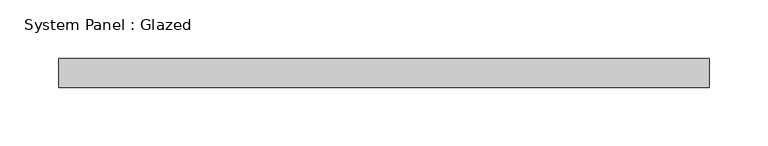
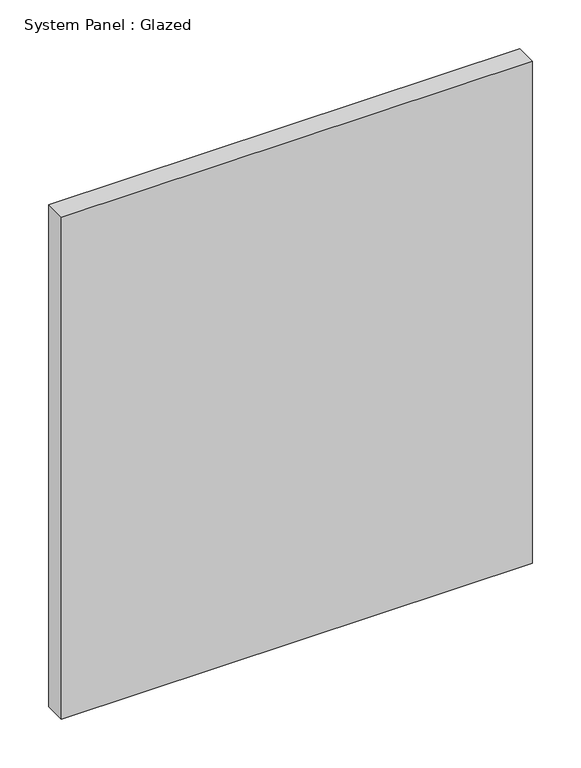
"""IFC4 building model written with IfcOpenShell, lengths in millimetres: plate geometry, System Panel : Glazed."""

from ifc_helpers import new_model, si_unit, origin, origin_with_axes, place, context, project, spatial, polyline, outline, extrude, source, transform, mapped, element, save


def system_panel_glazed_2ddf3c24(model_context):
    return source(origin(), model_context, "Body", "SweptSolid", [
        extrude(outline(polyline([(278.0, 24.5), (-278.0, 24.5), (-278.0, 49.5), (278.0, 49.5), (278.0, 24.5)])), origin_with_axes(), (0.0, 0.0, 1.0), 626.6666667),
    ])


if __name__ == "__main__":
    model = new_model("IFC4")
    model_context = context("Model", 3, world=origin())
    ifc_project = project(units=[si_unit("LENGTHUNIT", "METRE", prefix="MILLI")], contexts=[model_context])
    site = spatial("IfcSite", under=ifc_project)
    building = spatial("IfcBuilding", under=site)
    placement = place(None, origin())
    system_panel_glazed_shape = system_panel_glazed_2ddf3c24(model_context)
    element("IfcPlate", 1, ObjectType="System Panel : Glazed", at=placement, inside=building, context=model_context, shape_type="MappedRepresentation", body=[
        mapped(system_panel_glazed_shape, transform((0.0, 0.0, 0.0), x_axis=(1.0, 0.0, 0.0), y_axis=(0.0, 1.0, 0.0), z_axis=(0.0, 0.0, 1.0))),
    ])
    save(model, "model.ifc")
